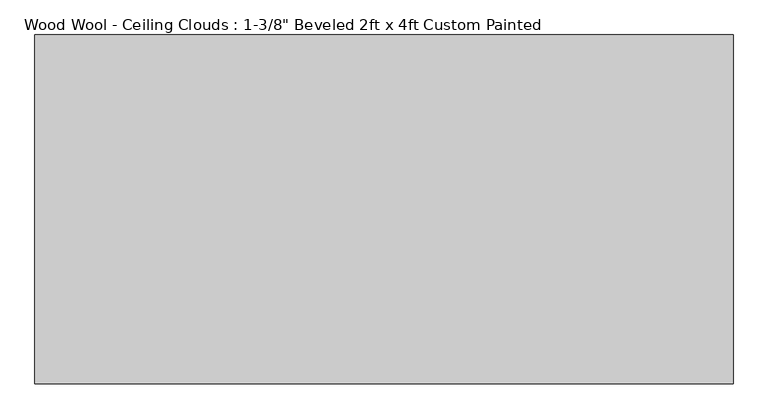
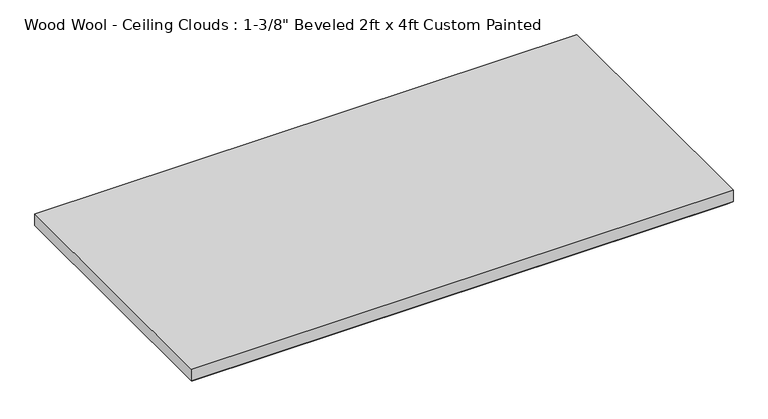
"""IFC4 building model written with IfcOpenShell, lengths in millimetres: proxy geometry."""

from ifc_helpers import new_model, si_unit, origin, place, context, project, spatial, faceted_brep, source, transform, mapped, element, save


def proxy_1efa5d3e(model_context):
    return source(origin(), model_context, "Body", "Brep", [
        faceted_brep([(601.599, -296.799, -34.925), (-601.599, -296.799, -34.925), (-601.599, 296.799, -34.925), (601.599, 296.799, -34.925), (-609.6, -304.8, 0.0), (609.6, -304.8, 0.0), (609.6, 304.8, 0.0), (-609.6, 304.8, 0.0), (-609.6, 304.8, -26.924), (-609.6, -304.8, -26.924), (609.6, 304.8, -26.924), (609.6, -304.8, -26.924)], [[[0, 1, 2, 3]], [[4, 5, 6, 7]], [[4, 7, 8, 9]], [[7, 6, 10, 8]], [[6, 5, 11, 10]], [[5, 4, 9, 11]], [[9, 1, 0, 11]], [[1, 9, 8, 2]], [[2, 8, 10, 3]], [[11, 0, 3, 10]]]),
    ])


if __name__ == "__main__":
    model = new_model("IFC4")
    model_context = context("Model", 3, world=origin())
    ifc_project = project(units=[si_unit("LENGTHUNIT", "METRE", prefix="MILLI")], contexts=[model_context])
    site = spatial("IfcSite", under=ifc_project)
    building = spatial("IfcBuilding", under=site)
    placement = place(None, origin())
    proxy_shape = proxy_1efa5d3e(model_context)
    element("IfcBuildingElementProxy", 1, Name="Wood Wool - Ceiling Clouds : 1-3/8\" Beveled 2ft x 4ft Custom Painted", ObjectType="Wood Wool - Ceiling Clouds : 1-3/8\" Beveled 2ft x 4ft Custom Painted", at=placement, inside=building, context=model_context, shape_type="MappedRepresentation", body=[
        mapped(proxy_shape, transform((0.0, 0.0, 0.0), x_axis=(1.0, 0.0, 0.0), y_axis=(0.0, 1.0, 0.0), z_axis=(0.0, 0.0, 1.0))),
    ])
    save(model, "model.ifc")
